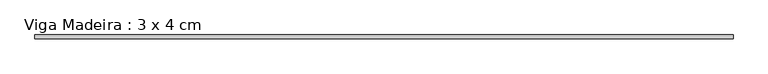
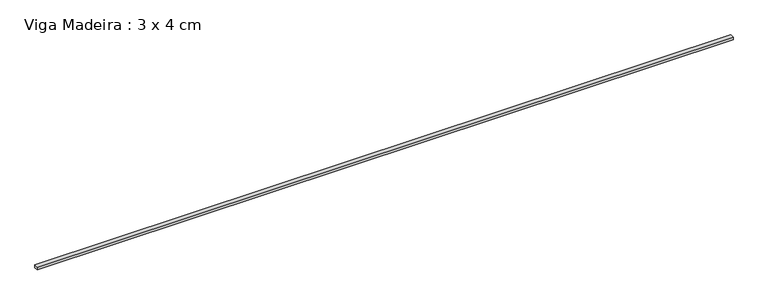
"""IFC4 building model written with IfcOpenShell, lengths in millimetres: beam geometry, Viga Madeira : 3 x 4 cm."""

from ifc_helpers import new_model, si_unit, frame, origin, place, context, project, spatial, polyline, outline, extrude, source, transform, mapped, element, save


def viga_madeira_3_x_4_cm_03e2d324(model_context):
    return source(origin(), model_context, "Body", "SweptSolid", [
        extrude(outline(polyline([(3610.8279703, 20.0), (3610.8279703, -20.0), (-3610.8279703, -20.0), (-3610.8279703, 20.0), (3610.8279703, 20.0)])), frame((0.0, 0.0, -15.0), z_axis=(0.0, 0.0, 1.0), x_axis=(1.0, 0.0, 0.0)), (0.0, 0.0, 1.0), 30.0),
    ])


if __name__ == "__main__":
    model = new_model("IFC4")
    model_context = context("Model", 3, world=origin())
    ifc_project = project(units=[si_unit("LENGTHUNIT", "METRE", prefix="MILLI")], contexts=[model_context])
    site = spatial("IfcSite", under=ifc_project)
    building = spatial("IfcBuilding", under=site)
    placement = place(None, origin())
    viga_madeira_3_x_4_cm_shape = viga_madeira_3_x_4_cm_03e2d324(model_context)
    element("IfcBeam", 1, ObjectType="Viga Madeira : 3 x 4 cm", at=placement, inside=building, context=model_context, shape_type="MappedRepresentation", body=[
        mapped(viga_madeira_3_x_4_cm_shape, transform((0.0, 0.0, 0.0), x_axis=(1.0, 0.0, 0.0), y_axis=(0.0, 1.0, 0.0), z_axis=(0.0, 0.0, 1.0))),
    ])
    save(model, "model.ifc")
